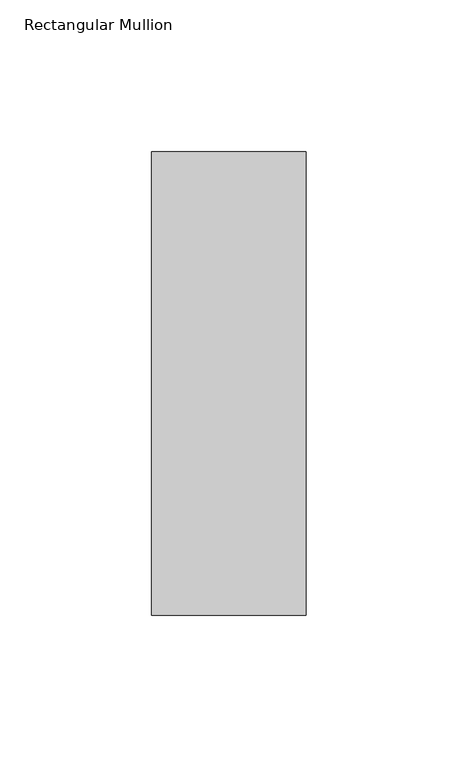
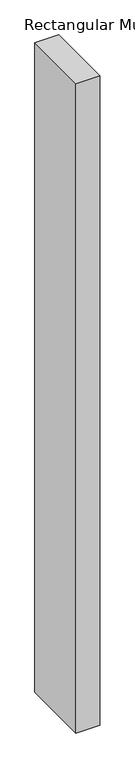
"""IFC4 building model written with IfcOpenShell, lengths in millimetres: member geometry, Rectangular Mullion."""

from ifc_helpers import new_model, si_unit, frame, origin, place, context, project, spatial, polyline, outline, extrude, source, transform, mapped, element, save


def rectangular_mullion_451bfee4(model_context):
    return source(origin(), model_context, "Body", "SweptSolid", [
        extrude(outline(polyline([(-25.4, 26.19375), (25.4, 26.19375), (25.4, -126.20625), (-25.4, -126.20625), (-25.4, 26.19375)])), frame((0.0, 0.0, -1473.2), z_axis=(0.0, 0.0, 1.0), x_axis=(1.0, 0.0, 0.0)), (0.0, 0.0, 1.0), 1473.2),
    ])


if __name__ == "__main__":
    model = new_model("IFC4")
    model_context = context("Model", 3, world=origin())
    ifc_project = project(units=[si_unit("LENGTHUNIT", "METRE", prefix="MILLI")], contexts=[model_context])
    site = spatial("IfcSite", under=ifc_project)
    building = spatial("IfcBuilding", under=site)
    placement = place(None, origin())
    rectangular_mullion_shape = rectangular_mullion_451bfee4(model_context)
    element("IfcMember", 1, ObjectType="Rectangular Mullion", at=placement, inside=building, context=model_context, shape_type="MappedRepresentation", body=[
        mapped(rectangular_mullion_shape, transform((0.0, 0.0, 0.0), x_axis=(1.0, 0.0, 0.0), y_axis=(0.0, 1.0, 0.0), z_axis=(0.0, 0.0, 1.0))),
    ])
    save(model, "model.ifc")
